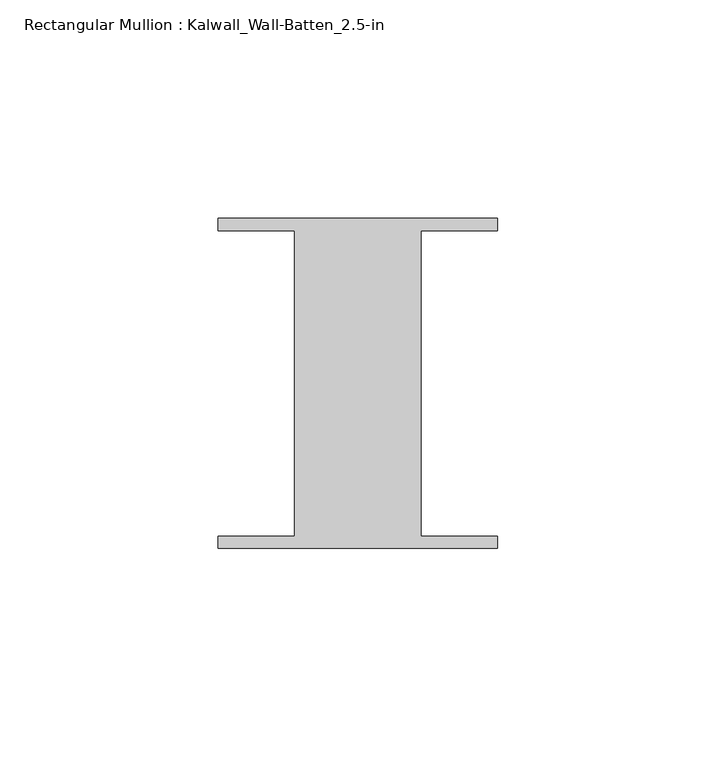
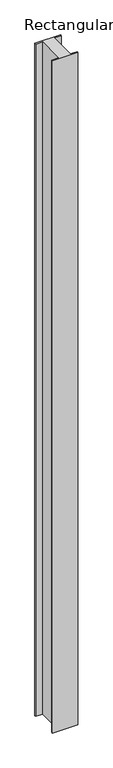
"""IFC4 building model written with IfcOpenShell, lengths in millimetres: member geometry, Rectangular Mullion : Kalwall_Wall-Batten_2.5-in."""

from ifc_helpers import new_model, si_unit, frame, origin, place, context, project, spatial, polyline, outline, extrude, source, transform, mapped, element, save


def rectangular_mullion_kalwall_wall_batten_2_5_in_fcd44be1(model_context):
    return source(origin(), model_context, "Body", "SweptSolid", [
        extrude(outline(polyline([(-32.0, 36.524), (32.0, 36.524), (32.0, 33.73), (14.5, 33.73), (14.5, -36.27), (32.0, -36.27), (32.0, -39.064), (-32.0, -39.064), (-32.0, -36.27), (-14.5, -36.27), (-14.5, 33.73), (-32.0, 33.73), (-32.0, 36.524)])), frame((0.0, 0.0, -1776.625), z_axis=(0.0, 0.0, 1.0), x_axis=(1.0, 0.0, 0.0)), (0.0, 0.0, 1.0), 1776.625),
    ])


if __name__ == "__main__":
    model = new_model("IFC4")
    model_context = context("Model", 3, world=origin())
    ifc_project = project(units=[si_unit("LENGTHUNIT", "METRE", prefix="MILLI")], contexts=[model_context])
    site = spatial("IfcSite", under=ifc_project)
    building = spatial("IfcBuilding", under=site)
    placement = place(None, origin())
    rectangular_mullion_kalwall_wall_batten_2_5_in_shape = rectangular_mullion_kalwall_wall_batten_2_5_in_fcd44be1(model_context)
    element("IfcMember", 1, ObjectType="Rectangular Mullion : Kalwall_Wall-Batten_2.5-in", at=placement, inside=building, context=model_context, shape_type="MappedRepresentation", body=[
        mapped(rectangular_mullion_kalwall_wall_batten_2_5_in_shape, transform((0.0, 0.0, 0.0), x_axis=(1.0, 0.0, 0.0), y_axis=(0.0, 1.0, 0.0), z_axis=(0.0, 0.0, 1.0))),
    ])
    save(model, "model.ifc")
